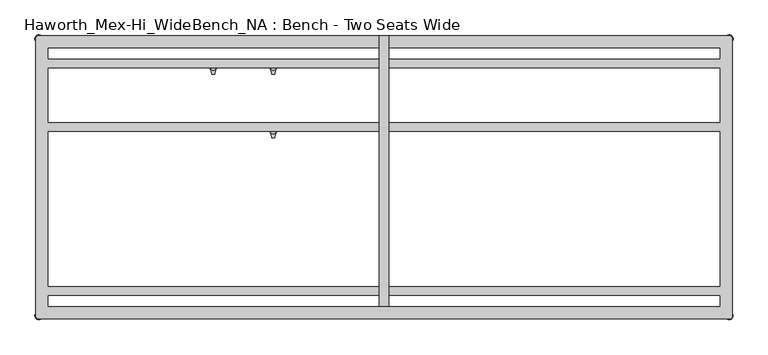
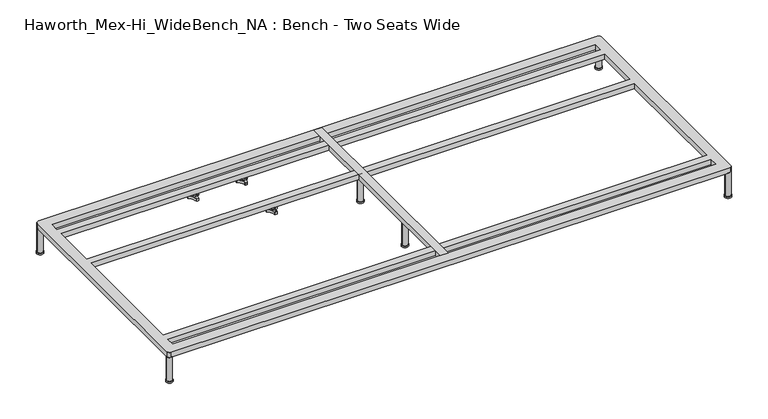
"""IFC4 building model written with IfcOpenShell, lengths in millimetres: furniture geometry, Haworth_Mex-Hi_WideBench_NA : Bench - Two Seats Wide."""

from ifc_helpers import new_model, si_unit, point, frame, frame_2d, origin, origin_with_axes, place, context, project, spatial, polyline, circle_curve, trimmed, segment, composite_curve, outline, extrude, source, transform, mapped, element, save
from ifc_brep_helpers import plane_surface, cylinder_surface, revolved_surface, advanced_brep


def haworth_mex_hi_widebench_na_bench_two_seats_wide_a20557b4(model_context):
    return source(origin(), model_context, "Body", "SolidModel", [
        advanced_brep(
        [(-519.7611937, -130.2721038, 98.611642), (-523.9837819, -137.585841, 98.611642), (-523.585833, -138.7518724, 98.611642), (-507.7665623, -166.1516574, 98.611642), (-506.9557288, -167.0792988, 98.611642), (-498.5105502, -167.0792988, 98.611642), (-497.706022, -165.9895174, 98.611642), (-481.6037689, -138.4877144, 98.611642), (-481.4824919, -137.5858427, 98.611642), (-485.7050818, -130.2721023, 98.611642), (-486.9138653, -130.0337175, 98.611642), (-518.5524137, -130.0337175, 98.611642), (-493.360263, -145.1926245, 98.611642), (-512.2652749, -145.1926245, 98.611642), (-519.7611937, -130.2721038, 88.6531552), (-518.5524137, -130.0337175, 88.6531552), (-486.9138653, -130.0337175, 88.6531552), (-485.7050818, -130.2721023, 88.6531552), (-481.4824919, -137.5858427, 88.6531552), (-481.6037689, -138.4877144, 88.6531552), (-497.706022, -165.9895174, 88.6531552), (-498.5105502, -167.0792988, 88.6531552), (-506.9557288, -167.0792988, 88.6531552), (-507.7665623, -166.1516574, 88.6531552), (-523.585833, -138.7518724, 88.6531552), (-523.9837819, -137.585841, 88.6531552), (-512.2652749, -145.1926245, 103.6569541), (-493.360263, -145.1926245, 103.6569541)],
        [
            (0, 1, circle_curve(frame((-501.5017056, -145.690049, 98.611642), z_axis=(0.0, 0.0, 1.0), x_axis=(1.0, 0.0, 0.0)), 23.8981576)),
            (1, 2, circle_curve(frame((-523.0562233, -137.920202, 98.611642), z_axis=(0.0, 0.0, 1.0), x_axis=(1.0, 0.0, 0.0)), 0.9859828)),
            (2, 3, circle_curve(frame((-541.981203, -167.6389644, 98.611642), z_axis=(0.0, 0.0, -1.0), x_axis=(1.0, 0.0, 0.0)), 34.246952)),
            (3, 4, circle_curve(frame((-506.7815189, -166.1088376, 98.611642), z_axis=(0.0, 0.0, 1.0), x_axis=(1.0, 0.0, 0.0)), 0.9859736)),
            (4, 5, circle_curve(frame((-502.7331395, -143.5567534, 98.611642), z_axis=(0.0, 0.0, 1.0), x_axis=(1.0, 0.0, 0.0)), 23.8985439)),
            (5, 6, circle_curve(frame((-498.6847621, -166.1088262, 98.611642), z_axis=(0.0, 0.0, 1.0), x_axis=(1.0, 0.0, 0.0)), 0.9859852)),
            (6, 7, circle_curve(frame((-463.4843483, -167.5614211, 98.611642), z_axis=(0.0, 0.0, -1.0), x_axis=(1.0, 0.0, 0.0)), 34.2577557)),
            (7, 8, circle_curve(frame((-482.4100533, -137.9202011, 98.611642), z_axis=(0.0, 0.0, 1.0), x_axis=(1.0, 0.0, 0.0)), 0.9859847)),
            (8, 9, circle_curve(frame((-503.9641822, -145.6898258, 98.611642), z_axis=(0.0, 0.0, 1.0), x_axis=(1.0, 0.0, 0.0)), 23.8977184)),
            (9, 10, circle_curve(frame((-486.4584281, -130.9082171, 98.611642), z_axis=(0.0, 0.0, 1.0), x_axis=(1.0, 0.0, 0.0)), 0.9859881)),
            (10, 11, circle_curve(frame((-502.7331395, -99.6586209, 98.611642), z_axis=(0.0, 0.0, -1.0), x_axis=(1.0, 0.0, 0.0)), 34.2475683)),
            (11, 0, circle_curve(frame((-519.0078488, -130.9082131, 98.611642), z_axis=(0.0, 0.0, 1.0), x_axis=(1.0, 0.0, 0.0)), 0.9859835)),
            (12, 13, circle_curve(frame((-502.8127689, -145.1926245, 98.611642), z_axis=(0.0, 0.0, -1.0), x_axis=(1.0, 0.0, 0.0)), 9.452506)),
            (13, 12, circle_curve(frame((-502.8127689, -145.1926245, 98.611642), z_axis=(0.0, 0.0, -1.0), x_axis=(1.0, 0.0, 0.0)), 9.452506)),
            (14, 15, circle_curve(frame((-519.0078488, -130.9082131, 88.6531552), z_axis=(0.0, 0.0, -1.0), x_axis=(1.0, 0.0, 0.0)), 0.9859835)),
            (15, 16, circle_curve(frame((-502.7331395, -99.6586209, 88.6531552), z_axis=(0.0, 0.0, 1.0), x_axis=(1.0, 0.0, 0.0)), 34.2475683)),
            (16, 17, circle_curve(frame((-486.4584281, -130.9082171, 88.6531552), z_axis=(0.0, 0.0, -1.0), x_axis=(1.0, 0.0, 0.0)), 0.9859881)),
            (17, 18, circle_curve(frame((-503.9641822, -145.6898258, 88.6531552), z_axis=(0.0, 0.0, -1.0), x_axis=(1.0, 0.0, 0.0)), 23.8977184)),
            (18, 19, circle_curve(frame((-482.4100533, -137.9202011, 88.6531552), z_axis=(0.0, 0.0, -1.0), x_axis=(1.0, 0.0, 0.0)), 0.9859847)),
            (19, 20, circle_curve(frame((-463.4843483, -167.5614211, 88.6531552), z_axis=(0.0, 0.0, 1.0), x_axis=(1.0, 0.0, 0.0)), 34.2577557)),
            (20, 21, circle_curve(frame((-498.6847621, -166.1088262, 88.6531552), z_axis=(0.0, 0.0, -1.0), x_axis=(1.0, 0.0, 0.0)), 0.9859852)),
            (21, 22, circle_curve(frame((-502.7331395, -143.5567534, 88.6531552), z_axis=(0.0, 0.0, -1.0), x_axis=(1.0, 0.0, 0.0)), 23.8985439)),
            (22, 23, circle_curve(frame((-506.7815189, -166.1088376, 88.6531552), z_axis=(0.0, 0.0, -1.0), x_axis=(1.0, 0.0, 0.0)), 0.9859736)),
            (23, 24, circle_curve(frame((-541.981203, -167.6389644, 88.6531552), z_axis=(0.0, 0.0, 1.0), x_axis=(1.0, 0.0, 0.0)), 34.246952)),
            (24, 25, circle_curve(frame((-523.0562233, -137.920202, 88.6531552), z_axis=(0.0, 0.0, -1.0), x_axis=(1.0, 0.0, 0.0)), 0.9859828)),
            (25, 14, circle_curve(frame((-501.5017056, -145.690049, 88.6531552), z_axis=(0.0, 0.0, -1.0), x_axis=(1.0, 0.0, 0.0)), 23.8981576)),
            (26, 27, circle_curve(frame((-502.8127689, -145.1926245, 103.6569541), z_axis=(0.0, 0.0, 1.0), x_axis=(1.0, 0.0, 0.0)), 9.452506)),
            (27, 26, circle_curve(frame((-502.8127689, -145.1926245, 103.6569541), z_axis=(0.0, 0.0, 1.0), x_axis=(1.0, 0.0, 0.0)), 9.452506)),
            (0, 14),
            (25, 1),
            (24, 2),
            (23, 3),
            (22, 4),
            (21, 5),
            (20, 6),
            (19, 7),
            (18, 8),
            (17, 9),
            (16, 10),
            (15, 11),
            (26, 13),
            (12, 27),
        ],
        [
            plane_surface(frame((-477.603548, -145.690049, 98.611642), z_axis=(0.0, 0.0, 1.0), x_axis=(0.0, 1.0, 0.0))),
            plane_surface(frame((-477.603548, -145.690049, 88.6531552), z_axis=(0.0, 0.0, -1.0), x_axis=(0.0, -1.0, 0.0))),
            plane_surface(frame((-493.360263, -145.1926245, 103.6569541), z_axis=(0.0, 0.0, 1.0), x_axis=(0.0, 1.0, 0.0))),
            cylinder_surface(frame((-501.5017056, -145.690049, 88.6531552), z_axis=(0.0, 0.0, 1.0), x_axis=(1.0, 0.0, 0.0)), 23.8981576),
            cylinder_surface(frame((-523.0562233, -137.920202, 88.6531552), z_axis=(0.0, 0.0, 1.0), x_axis=(1.0, 0.0, 0.0)), 0.9859828),
            revolved_surface(polyline([(-507.73425100000003, -167.6389644, 88.6531552), (-507.73425100000003, -167.6389644, 98.611642)]), (-541.981203, -167.6389644, 88.6531552), (0.0, 0.0, -1.0)),
            cylinder_surface(frame((-506.7815189, -166.1088376, 88.6531552), z_axis=(0.0, 0.0, 1.0), x_axis=(1.0, 0.0, 0.0)), 0.9859736),
            cylinder_surface(frame((-502.7331395, -143.5567534, 88.6531552), z_axis=(0.0, 0.0, 1.0), x_axis=(1.0, 0.0, 0.0)), 23.8985439),
            cylinder_surface(frame((-498.6847621, -166.1088262, 88.6531552), z_axis=(0.0, 0.0, 1.0), x_axis=(1.0, 0.0, 0.0)), 0.9859852),
            revolved_surface(polyline([(-429.2265926, -167.5614211, 88.6531552), (-429.2265926, -167.5614211, 98.611642)]), (-463.4843483, -167.5614211, 88.6531552), (0.0, 0.0, -1.0)),
            cylinder_surface(frame((-482.4100533, -137.9202011, 88.6531552), z_axis=(0.0, 0.0, 1.0), x_axis=(1.0, 0.0, 0.0)), 0.9859847),
            cylinder_surface(frame((-503.9641822, -145.6898258, 88.6531552), z_axis=(0.0, 0.0, 1.0), x_axis=(1.0, 0.0, 0.0)), 23.8977184),
            cylinder_surface(frame((-486.4584281, -130.9082171, 88.6531552), z_axis=(0.0, 0.0, 1.0), x_axis=(1.0, 0.0, 0.0)), 0.9859881),
            revolved_surface(polyline([(-468.4855712, -99.6586209, 88.6531552), (-468.4855712, -99.6586209, 98.611642)]), (-502.7331395, -99.6586209, 88.6531552), (0.0, 0.0, -1.0)),
            cylinder_surface(frame((-519.0078488, -130.9082131, 88.6531552), z_axis=(0.0, 0.0, 1.0), x_axis=(1.0, 0.0, 0.0)), 0.9859835),
            cylinder_surface(frame((-502.8127689, -145.1926245, 98.611642), z_axis=(0.0, 0.0, 1.0), x_axis=(1.0, 0.0, 0.0)), 9.452506),
        ],
        [
            (0, [[1, 2, 3, 4, 5, 6, 7, 8, 9, 10, 11, 12], [13, 14]]),
            (1, [[15, 16, 17, 18, 19, 20, 21, 22, 23, 24, 25, 26]]),
            (2, [[27, 28]]),
            (3, [[-1, 29, -26, 30]]),
            (4, [[-2, -30, -25, 31]]),
            (5, [[-3, -31, -24, 32]]),
            (6, [[-4, -32, -23, 33]]),
            (7, [[-5, -33, -22, 34]]),
            (8, [[-6, -34, -21, 35]]),
            (9, [[-7, -35, -20, 36]]),
            (10, [[-8, -36, -19, 37]]),
            (11, [[-9, -37, -18, 38]]),
            (12, [[-10, -38, -17, 39]]),
            (13, [[-11, -39, -16, 40]]),
            (14, [[-12, -40, -15, -29]]),
            (15, [[-27, 41, -13, 42]]),
            (15, [[-28, -42, -14, -41]]),
        ],
    ),
        advanced_brep(
        [(-519.7611937, 69.7278978, 98.611642), (-523.9837819, 62.4141605, 98.611642), (-523.585833, 61.2481292, 98.611642), (-507.7665623, 33.8483441, 98.611642), (-506.9557288, 32.9207027, 98.611642), (-498.5105502, 32.9207027, 98.611642), (-497.706022, 34.0104841, 98.611642), (-481.6037689, 61.5122871, 98.611642), (-481.4824919, 62.4141588, 98.611642), (-485.7050818, 69.7278992, 98.611642), (-486.9138653, 69.966284, 98.611642), (-518.5524137, 69.966284, 98.611642), (-493.360263, 54.807377, 98.611642), (-512.2652749, 54.807377, 98.611642), (-519.7611937, 69.7278978, 88.6531552), (-518.5524137, 69.966284, 88.6531552), (-486.9138653, 69.966284, 88.6531552), (-485.7050818, 69.7278992, 88.6531552), (-481.4824919, 62.4141588, 88.6531552), (-481.6037689, 61.5122871, 88.6531552), (-497.706022, 34.0104841, 88.6531552), (-498.5105502, 32.9207027, 88.6531552), (-506.9557288, 32.9207027, 88.6531552), (-507.7665623, 33.8483441, 88.6531552), (-523.585833, 61.2481292, 88.6531552), (-523.9837819, 62.4141605, 88.6531552), (-512.2652749, 54.807377, 103.6569541), (-493.360263, 54.807377, 103.6569541)],
        [
            (0, 1, circle_curve(frame((-501.5017056, 54.3099526, 98.611642), z_axis=(0.0, 0.0, 1.0), x_axis=(1.0, 0.0, 0.0)), 23.8981576)),
            (1, 2, circle_curve(frame((-523.0562233, 62.0797996, 98.611642), z_axis=(0.0, 0.0, 1.0), x_axis=(1.0, 0.0, 0.0)), 0.9859828)),
            (2, 3, circle_curve(frame((-541.981203, 32.3610372, 98.611642), z_axis=(0.0, 0.0, -1.0), x_axis=(1.0, 0.0, 0.0)), 34.246952)),
            (3, 4, circle_curve(frame((-506.7815189, 33.8911639, 98.611642), z_axis=(0.0, 0.0, 1.0), x_axis=(1.0, 0.0, 0.0)), 0.9859736)),
            (4, 5, circle_curve(frame((-502.7331395, 56.4432481, 98.611642), z_axis=(0.0, 0.0, 1.0), x_axis=(1.0, 0.0, 0.0)), 23.8985439)),
            (5, 6, circle_curve(frame((-498.6847621, 33.8911753, 98.611642), z_axis=(0.0, 0.0, 1.0), x_axis=(1.0, 0.0, 0.0)), 0.9859852)),
            (6, 7, circle_curve(frame((-463.4843483, 32.4385804, 98.611642), z_axis=(0.0, 0.0, -1.0), x_axis=(1.0, 0.0, 0.0)), 34.2577557)),
            (7, 8, circle_curve(frame((-482.4100533, 62.0798004, 98.611642), z_axis=(0.0, 0.0, 1.0), x_axis=(1.0, 0.0, 0.0)), 0.9859847)),
            (8, 9, circle_curve(frame((-503.9641822, 54.3101757, 98.611642), z_axis=(0.0, 0.0, 1.0), x_axis=(1.0, 0.0, 0.0)), 23.8977184)),
            (9, 10, circle_curve(frame((-486.4584281, 69.0917844, 98.611642), z_axis=(0.0, 0.0, 1.0), x_axis=(1.0, 0.0, 0.0)), 0.9859881)),
            (10, 11, circle_curve(frame((-502.7331395, 100.3413806, 98.611642), z_axis=(0.0, 0.0, -1.0), x_axis=(1.0, 0.0, 0.0)), 34.2475683)),
            (11, 0, circle_curve(frame((-519.0078488, 69.0917885, 98.611642), z_axis=(0.0, 0.0, 1.0), x_axis=(1.0, 0.0, 0.0)), 0.9859835)),
            (12, 13, circle_curve(frame((-502.8127689, 54.807377, 98.611642), z_axis=(0.0, 0.0, -1.0), x_axis=(1.0, 0.0, 0.0)), 9.452506)),
            (13, 12, circle_curve(frame((-502.8127689, 54.807377, 98.611642), z_axis=(0.0, 0.0, -1.0), x_axis=(1.0, 0.0, 0.0)), 9.452506)),
            (14, 15, circle_curve(frame((-519.0078488, 69.0917885, 88.6531552), z_axis=(0.0, 0.0, -1.0), x_axis=(1.0, 0.0, 0.0)), 0.9859835)),
            (15, 16, circle_curve(frame((-502.7331395, 100.3413806, 88.6531552), z_axis=(0.0, 0.0, 1.0), x_axis=(1.0, 0.0, 0.0)), 34.2475683)),
            (16, 17, circle_curve(frame((-486.4584281, 69.0917844, 88.6531552), z_axis=(0.0, 0.0, -1.0), x_axis=(1.0, 0.0, 0.0)), 0.9859881)),
            (17, 18, circle_curve(frame((-503.9641822, 54.3101757, 88.6531552), z_axis=(0.0, 0.0, -1.0), x_axis=(1.0, 0.0, 0.0)), 23.8977184)),
            (18, 19, circle_curve(frame((-482.4100533, 62.0798004, 88.6531552), z_axis=(0.0, 0.0, -1.0), x_axis=(1.0, 0.0, 0.0)), 0.9859847)),
            (19, 20, circle_curve(frame((-463.4843483, 32.4385804, 88.6531552), z_axis=(0.0, 0.0, 1.0), x_axis=(1.0, 0.0, 0.0)), 34.2577557)),
            (20, 21, circle_curve(frame((-498.6847621, 33.8911753, 88.6531552), z_axis=(0.0, 0.0, -1.0), x_axis=(1.0, 0.0, 0.0)), 0.9859852)),
            (21, 22, circle_curve(frame((-502.7331395, 56.4432481, 88.6531552), z_axis=(0.0, 0.0, -1.0), x_axis=(1.0, 0.0, 0.0)), 23.8985439)),
            (22, 23, circle_curve(frame((-506.7815189, 33.8911639, 88.6531552), z_axis=(0.0, 0.0, -1.0), x_axis=(1.0, 0.0, 0.0)), 0.9859736)),
            (23, 24, circle_curve(frame((-541.981203, 32.3610372, 88.6531552), z_axis=(0.0, 0.0, 1.0), x_axis=(1.0, 0.0, 0.0)), 34.246952)),
            (24, 25, circle_curve(frame((-523.0562233, 62.0797996, 88.6531552), z_axis=(0.0, 0.0, -1.0), x_axis=(1.0, 0.0, 0.0)), 0.9859828)),
            (25, 14, circle_curve(frame((-501.5017056, 54.3099526, 88.6531552), z_axis=(0.0, 0.0, -1.0), x_axis=(1.0, 0.0, 0.0)), 23.8981576)),
            (26, 27, circle_curve(frame((-502.8127689, 54.807377, 103.6569541), z_axis=(0.0, 0.0, 1.0), x_axis=(1.0, 0.0, 0.0)), 9.452506)),
            (27, 26, circle_curve(frame((-502.8127689, 54.807377, 103.6569541), z_axis=(0.0, 0.0, 1.0), x_axis=(1.0, 0.0, 0.0)), 9.452506)),
            (0, 14),
            (25, 1),
            (24, 2),
            (23, 3),
            (22, 4),
            (21, 5),
            (20, 6),
            (19, 7),
            (18, 8),
            (17, 9),
            (16, 10),
            (15, 11),
            (26, 13),
            (12, 27),
        ],
        [
            plane_surface(frame((-477.603548, 54.3099526, 98.611642), z_axis=(0.0, 0.0, 1.0), x_axis=(0.0, 1.0, 0.0))),
            plane_surface(frame((-477.603548, 54.3099526, 88.6531552), z_axis=(0.0, 0.0, -1.0), x_axis=(0.0, -1.0, 0.0))),
            plane_surface(frame((-493.360263, 54.807377, 103.6569541), z_axis=(0.0, 0.0, 1.0), x_axis=(0.0, 1.0, 0.0))),
            cylinder_surface(frame((-501.5017056, 54.3099526, 88.6531552), z_axis=(0.0, 0.0, 1.0), x_axis=(1.0, 0.0, 0.0)), 23.8981576),
            cylinder_surface(frame((-523.0562233, 62.0797996, 88.6531552), z_axis=(0.0, 0.0, 1.0), x_axis=(1.0, 0.0, 0.0)), 0.9859828),
            revolved_surface(polyline([(-507.73425100000003, 32.3610372, 88.6531552), (-507.73425100000003, 32.3610372, 98.611642)]), (-541.981203, 32.3610372, 88.6531552), (0.0, 0.0, -1.0)),
            cylinder_surface(frame((-506.7815189, 33.8911639, 88.6531552), z_axis=(0.0, 0.0, 1.0), x_axis=(1.0, 0.0, 0.0)), 0.9859736),
            cylinder_surface(frame((-502.7331395, 56.4432481, 88.6531552), z_axis=(0.0, 0.0, 1.0), x_axis=(1.0, 0.0, 0.0)), 23.8985439),
            cylinder_surface(frame((-498.6847621, 33.8911753, 88.6531552), z_axis=(0.0, 0.0, 1.0), x_axis=(1.0, 0.0, 0.0)), 0.9859852),
            revolved_surface(polyline([(-429.2265926, 32.4385804, 88.6531552), (-429.2265926, 32.4385804, 98.611642)]), (-463.4843483, 32.4385804, 88.6531552), (0.0, 0.0, -1.0)),
            cylinder_surface(frame((-482.4100533, 62.0798004, 88.6531552), z_axis=(0.0, 0.0, 1.0), x_axis=(1.0, 0.0, 0.0)), 0.9859847),
            cylinder_surface(frame((-503.9641822, 54.3101757, 88.6531552), z_axis=(0.0, 0.0, 1.0), x_axis=(1.0, 0.0, 0.0)), 23.8977184),
            cylinder_surface(frame((-486.4584281, 69.0917844, 88.6531552), z_axis=(0.0, 0.0, 1.0), x_axis=(1.0, 0.0, 0.0)), 0.9859881),
            revolved_surface(polyline([(-468.4855712, 100.3413806, 88.6531552), (-468.4855712, 100.3413806, 98.611642)]), (-502.7331395, 100.3413806, 88.6531552), (0.0, 0.0, -1.0)),
            cylinder_surface(frame((-519.0078488, 69.0917885, 88.6531552), z_axis=(0.0, 0.0, 1.0), x_axis=(1.0, 0.0, 0.0)), 0.9859835),
            cylinder_surface(frame((-502.8127689, 54.807377, 98.611642), z_axis=(0.0, 0.0, 1.0), x_axis=(1.0, 0.0, 0.0)), 9.452506),
        ],
        [
            (0, [[1, 2, 3, 4, 5, 6, 7, 8, 9, 10, 11, 12], [13, 14]]),
            (1, [[15, 16, 17, 18, 19, 20, 21, 22, 23, 24, 25, 26]]),
            (2, [[27, 28]]),
            (3, [[-1, 29, -26, 30]]),
            (4, [[-2, -30, -25, 31]]),
            (5, [[-3, -31, -24, 32]]),
            (6, [[-4, -32, -23, 33]]),
            (7, [[-5, -33, -22, 34]]),
            (8, [[-6, -34, -21, 35]]),
            (9, [[-7, -35, -20, 36]]),
            (10, [[-8, -36, -19, 37]]),
            (11, [[-9, -37, -18, 38]]),
            (12, [[-10, -38, -17, 39]]),
            (13, [[-11, -39, -16, 40]]),
            (14, [[-12, -40, -15, -29]]),
            (15, [[-27, 41, -13, 42]]),
            (15, [[-28, -42, -14, -41]]),
        ],
    ),
        advanced_brep(
        [(-708.6567178, 69.7278978, 98.611642), (-712.879306, 62.4141605, 98.611642), (-712.4813572, 61.2481292, 98.611642), (-696.6620864, 33.8483441, 98.611642), (-695.8512529, 32.9207027, 98.611642), (-687.4060744, 32.9207027, 98.611642), (-686.6015461, 34.0104841, 98.611642), (-670.4992931, 61.5122871, 98.611642), (-670.378016, 62.4141588, 98.611642), (-674.600606, 69.7278992, 98.611642), (-675.8093894, 69.966284, 98.611642), (-707.4479379, 69.966284, 98.611642), (-682.2557871, 54.807377, 98.611642), (-701.160799, 54.807377, 98.611642), (-708.6567178, 69.7278978, 88.6531552), (-707.4479379, 69.966284, 88.6531552), (-675.8093894, 69.966284, 88.6531552), (-674.600606, 69.7278992, 88.6531552), (-670.378016, 62.4141588, 88.6531552), (-670.4992931, 61.5122871, 88.6531552), (-686.6015461, 34.0104841, 88.6531552), (-687.4060744, 32.9207027, 88.6531552), (-695.8512529, 32.9207027, 88.6531552), (-696.6620864, 33.8483441, 88.6531552), (-712.4813572, 61.2481292, 88.6531552), (-712.879306, 62.4141605, 88.6531552), (-701.160799, 54.807377, 103.6569541), (-682.2557871, 54.807377, 103.6569541)],
        [
            (0, 1, circle_curve(frame((-690.3972298, 54.3099526, 98.611642), z_axis=(0.0, 0.0, 1.0), x_axis=(1.0, 0.0, 0.0)), 23.8981576)),
            (1, 2, circle_curve(frame((-711.9517474, 62.0797996, 98.611642), z_axis=(0.0, 0.0, 1.0), x_axis=(1.0, 0.0, 0.0)), 0.9859828)),
            (2, 3, circle_curve(frame((-730.8767271, 32.3610372, 98.611642), z_axis=(0.0, 0.0, -1.0), x_axis=(1.0, 0.0, 0.0)), 34.246952)),
            (3, 4, circle_curve(frame((-695.6770431, 33.8911639, 98.611642), z_axis=(0.0, 0.0, 1.0), x_axis=(1.0, 0.0, 0.0)), 0.9859736)),
            (4, 5, circle_curve(frame((-691.6286636, 56.4432481, 98.611642), z_axis=(0.0, 0.0, 1.0), x_axis=(1.0, 0.0, 0.0)), 23.8985439)),
            (5, 6, circle_curve(frame((-687.5802862, 33.8911753, 98.611642), z_axis=(0.0, 0.0, 1.0), x_axis=(1.0, 0.0, 0.0)), 0.9859852)),
            (6, 7, circle_curve(frame((-652.3798725, 32.4385804, 98.611642), z_axis=(0.0, 0.0, -1.0), x_axis=(1.0, 0.0, 0.0)), 34.2577557)),
            (7, 8, circle_curve(frame((-671.3055775, 62.0798004, 98.611642), z_axis=(0.0, 0.0, 1.0), x_axis=(1.0, 0.0, 0.0)), 0.9859847)),
            (8, 9, circle_curve(frame((-692.8597064, 54.3101757, 98.611642), z_axis=(0.0, 0.0, 1.0), x_axis=(1.0, 0.0, 0.0)), 23.8977184)),
            (9, 10, circle_curve(frame((-675.3539522, 69.0917844, 98.611642), z_axis=(0.0, 0.0, 1.0), x_axis=(1.0, 0.0, 0.0)), 0.9859881)),
            (10, 11, circle_curve(frame((-691.6286636, 100.3413806, 98.611642), z_axis=(0.0, 0.0, -1.0), x_axis=(1.0, 0.0, 0.0)), 34.2475683)),
            (11, 0, circle_curve(frame((-707.9033729, 69.0917885, 98.611642), z_axis=(0.0, 0.0, 1.0), x_axis=(1.0, 0.0, 0.0)), 0.9859835)),
            (12, 13, circle_curve(frame((-691.7082931, 54.807377, 98.611642), z_axis=(0.0, 0.0, -1.0), x_axis=(1.0, 0.0, 0.0)), 9.452506)),
            (13, 12, circle_curve(frame((-691.7082931, 54.807377, 98.611642), z_axis=(0.0, 0.0, -1.0), x_axis=(1.0, 0.0, 0.0)), 9.452506)),
            (14, 15, circle_curve(frame((-707.9033729, 69.0917885, 88.6531552), z_axis=(0.0, 0.0, -1.0), x_axis=(1.0, 0.0, 0.0)), 0.9859835)),
            (15, 16, circle_curve(frame((-691.6286636, 100.3413806, 88.6531552), z_axis=(0.0, 0.0, 1.0), x_axis=(1.0, 0.0, 0.0)), 34.2475683)),
            (16, 17, circle_curve(frame((-675.3539522, 69.0917844, 88.6531552), z_axis=(0.0, 0.0, -1.0), x_axis=(1.0, 0.0, 0.0)), 0.9859881)),
            (17, 18, circle_curve(frame((-692.8597064, 54.3101757, 88.6531552), z_axis=(0.0, 0.0, -1.0), x_axis=(1.0, 0.0, 0.0)), 23.8977184)),
            (18, 19, circle_curve(frame((-671.3055775, 62.0798004, 88.6531552), z_axis=(0.0, 0.0, -1.0), x_axis=(1.0, 0.0, 0.0)), 0.9859847)),
            (19, 20, circle_curve(frame((-652.3798725, 32.4385804, 88.6531552), z_axis=(0.0, 0.0, 1.0), x_axis=(1.0, 0.0, 0.0)), 34.2577557)),
            (20, 21, circle_curve(frame((-687.5802862, 33.8911753, 88.6531552), z_axis=(0.0, 0.0, -1.0), x_axis=(1.0, 0.0, 0.0)), 0.9859852)),
            (21, 22, circle_curve(frame((-691.6286636, 56.4432481, 88.6531552), z_axis=(0.0, 0.0, -1.0), x_axis=(1.0, 0.0, 0.0)), 23.8985439)),
            (22, 23, circle_curve(frame((-695.6770431, 33.8911639, 88.6531552), z_axis=(0.0, 0.0, -1.0), x_axis=(1.0, 0.0, 0.0)), 0.9859736)),
            (23, 24, circle_curve(frame((-730.8767271, 32.3610372, 88.6531552), z_axis=(0.0, 0.0, 1.0), x_axis=(1.0, 0.0, 0.0)), 34.246952)),
            (24, 25, circle_curve(frame((-711.9517474, 62.0797996, 88.6531552), z_axis=(0.0, 0.0, -1.0), x_axis=(1.0, 0.0, 0.0)), 0.9859828)),
            (25, 14, circle_curve(frame((-690.3972298, 54.3099526, 88.6531552), z_axis=(0.0, 0.0, -1.0), x_axis=(1.0, 0.0, 0.0)), 23.8981576)),
            (26, 27, circle_curve(frame((-691.7082931, 54.807377, 103.6569541), z_axis=(0.0, 0.0, 1.0), x_axis=(1.0, 0.0, 0.0)), 9.452506)),
            (27, 26, circle_curve(frame((-691.7082931, 54.807377, 103.6569541), z_axis=(0.0, 0.0, 1.0), x_axis=(1.0, 0.0, 0.0)), 9.452506)),
            (0, 14),
            (25, 1),
            (24, 2),
            (23, 3),
            (22, 4),
            (21, 5),
            (20, 6),
            (19, 7),
            (18, 8),
            (17, 9),
            (16, 10),
            (15, 11),
            (26, 13),
            (12, 27),
        ],
        [
            plane_surface(frame((-666.4990722, 54.3099526, 98.611642), z_axis=(0.0, 0.0, 1.0), x_axis=(0.0, 1.0, 0.0))),
            plane_surface(frame((-666.4990722, 54.3099526, 88.6531552), z_axis=(0.0, 0.0, -1.0), x_axis=(0.0, -1.0, 0.0))),
            plane_surface(frame((-682.2557871, 54.807377, 103.6569541), z_axis=(0.0, 0.0, 1.0), x_axis=(0.0, 1.0, 0.0))),
            cylinder_surface(frame((-690.3972298, 54.3099526, 88.6531552), z_axis=(0.0, 0.0, 1.0), x_axis=(1.0, 0.0, 0.0)), 23.8981576),
            cylinder_surface(frame((-711.9517474, 62.0797996, 88.6531552), z_axis=(0.0, 0.0, 1.0), x_axis=(1.0, 0.0, 0.0)), 0.9859828),
            revolved_surface(polyline([(-696.6297751000001, 32.3610372, 88.6531552), (-696.6297751000001, 32.3610372, 98.611642)]), (-730.8767271, 32.3610372, 88.6531552), (0.0, 0.0, -1.0)),
            cylinder_surface(frame((-695.6770431, 33.8911639, 88.6531552), z_axis=(0.0, 0.0, 1.0), x_axis=(1.0, 0.0, 0.0)), 0.9859736),
            cylinder_surface(frame((-691.6286636, 56.4432481, 88.6531552), z_axis=(0.0, 0.0, 1.0), x_axis=(1.0, 0.0, 0.0)), 23.8985439),
            cylinder_surface(frame((-687.5802862, 33.8911753, 88.6531552), z_axis=(0.0, 0.0, 1.0), x_axis=(1.0, 0.0, 0.0)), 0.9859852),
            revolved_surface(polyline([(-618.1221168000001, 32.4385804, 88.6531552), (-618.1221168000001, 32.4385804, 98.611642)]), (-652.3798725, 32.4385804, 88.6531552), (0.0, 0.0, -1.0)),
            cylinder_surface(frame((-671.3055775, 62.0798004, 88.6531552), z_axis=(0.0, 0.0, 1.0), x_axis=(1.0, 0.0, 0.0)), 0.9859847),
            cylinder_surface(frame((-692.8597064, 54.3101757, 88.6531552), z_axis=(0.0, 0.0, 1.0), x_axis=(1.0, 0.0, 0.0)), 23.8977184),
            cylinder_surface(frame((-675.3539522, 69.0917844, 88.6531552), z_axis=(0.0, 0.0, 1.0), x_axis=(1.0, 0.0, 0.0)), 0.9859881),
            revolved_surface(polyline([(-657.3810953, 100.3413806, 88.6531552), (-657.3810953, 100.3413806, 98.611642)]), (-691.6286636, 100.3413806, 88.6531552), (0.0, 0.0, -1.0)),
            cylinder_surface(frame((-707.9033729, 69.0917885, 88.6531552), z_axis=(0.0, 0.0, 1.0), x_axis=(1.0, 0.0, 0.0)), 0.9859835),
            cylinder_surface(frame((-691.7082931, 54.807377, 98.611642), z_axis=(0.0, 0.0, 1.0), x_axis=(1.0, 0.0, 0.0)), 9.452506),
        ],
        [
            (0, [[1, 2, 3, 4, 5, 6, 7, 8, 9, 10, 11, 12], [13, 14]]),
            (1, [[15, 16, 17, 18, 19, 20, 21, 22, 23, 24, 25, 26]]),
            (2, [[27, 28]]),
            (3, [[-1, 29, -26, 30]]),
            (4, [[-2, -30, -25, 31]]),
            (5, [[-3, -31, -24, 32]]),
            (6, [[-4, -32, -23, 33]]),
            (7, [[-5, -33, -22, 34]]),
            (8, [[-6, -34, -21, 35]]),
            (9, [[-7, -35, -20, 36]]),
            (10, [[-8, -36, -19, 37]]),
            (11, [[-9, -37, -18, 38]]),
            (12, [[-10, -38, -17, 39]]),
            (13, [[-11, -39, -16, 40]]),
            (14, [[-12, -40, -15, -29]]),
            (15, [[-27, 41, -13, 42]]),
            (15, [[-28, -42, -14, -41]]),
        ],
    ),
        extrude(outline(composite_curve([segment(trimmed(circle_curve(frame_2d((-155.4452882, -433.7002937)), 10.4664203), [point((-165.9117085, -433.7002937))], [point((-144.9788678, -433.7002937))], False, "CARTESIAN"), True, "CONTINUOUS"), segment(trimmed(circle_curve(frame_2d((-155.4452882, -433.7002937)), 10.4664203), [point((-144.9788678, -433.7002937))], [point((-165.9117085, -433.7002937))], False, "CARTESIAN"), True, "CONTINUOUS")], self_intersect=False)), origin_with_axes(), (0.0, 0.0, 1.0), 103.6569541),
        extrude(outline(composite_curve([segment(trimmed(circle_curve(frame_2d((-155.4452882, -133.6667163)), 10.4664203), [point((-165.9117085, -133.6667163))], [point((-144.9788678, -133.6667163))], False, "CARTESIAN"), True, "CONTINUOUS"), segment(trimmed(circle_curve(frame_2d((-155.4452882, -133.6667163)), 10.4664203), [point((-144.9788678, -133.6667163))], [point((-165.9117085, -133.6667163))], False, "CARTESIAN"), True, "CONTINUOUS")], self_intersect=False)), origin_with_axes(), (0.0, 0.0, 1.0), 103.6569541),
        extrude(outline(composite_curve([segment(trimmed(circle_curve(frame_2d((-155.4452882, -433.7002937)), 12.5000005), [point((-167.9452886, -433.7002937))], [point((-142.9452877, -433.7002937))], False, "CARTESIAN"), True, "CONTINUOUS"), segment(trimmed(circle_curve(frame_2d((-155.4452882, -433.7002937)), 12.5000005), [point((-142.9452877, -433.7002937))], [point((-167.9452886, -433.7002937))], False, "CARTESIAN"), True, "CONTINUOUS")], self_intersect=False)), origin_with_axes(), (0.0, 0.0, 1.0), 6.0),
        extrude(outline(composite_curve([segment(trimmed(circle_curve(frame_2d((-155.4452882, -133.6667163)), 12.5000005), [point((-167.9452886, -133.6667163))], [point((-142.9452877, -133.6667163))], False, "CARTESIAN"), True, "CONTINUOUS"), segment(trimmed(circle_curve(frame_2d((-155.4452882, -133.6667163)), 12.5000005), [point((-142.9452877, -133.6667163))], [point((-167.9452886, -133.6667163))], False, "CARTESIAN"), True, "CONTINUOUS")], self_intersect=False)), origin_with_axes(), (0.0, 0.0, 1.0), 6.0),
        extrude(outline(polyline([(-169.7406049, -696.2002953), (-169.7406049, 153.6358637), (-139.7406192, 153.6358637), (-139.7406192, -696.2002953), (-169.7406049, -696.2002953)])), frame((0.0, 0.0, 103.6569541), z_axis=(0.0, 0.0, 1.0), x_axis=(1.0, 0.0, 0.0)), (0.0, 0.0, 1.0), 20.3430443),
        extrude(outline(composite_curve([segment(trimmed(circle_curve(frame_2d((-1239.490311, 143.787786)), 12.5000005), [point((-1251.9903115, 143.787786))], [point((-1226.9903105, 143.787786))], False, "CARTESIAN"), True, "CONTINUOUS"), segment(trimmed(circle_curve(frame_2d((-1239.490311, 143.787786)), 12.5000005), [point((-1226.9903105, 143.787786))], [point((-1251.9903115, 143.787786))], False, "CARTESIAN"), True, "CONTINUOUS")], self_intersect=False)), origin_with_axes(), (0.0, 0.0, 1.0), 6.0),
        extrude(outline(composite_curve([segment(trimmed(circle_curve(frame_2d((-1239.490311, -726.2491859)), 12.5000005), [point((-1251.9903115, -726.2491859))], [point((-1226.9903105, -726.2491859))], False, "CARTESIAN"), True, "CONTINUOUS"), segment(trimmed(circle_curve(frame_2d((-1239.490311, -726.2491859)), 12.5000005), [point((-1226.9903105, -726.2491859))], [point((-1251.9903115, -726.2491859))], False, "CARTESIAN"), True, "CONTINUOUS")], self_intersect=False)), origin_with_axes(), (0.0, 0.0, 1.0), 6.0),
        extrude(outline(composite_curve([segment(trimmed(circle_curve(frame_2d((930.1872347, 143.787786)), 12.5000005), [point((917.6872342, 143.787786))], [point((942.6872352, 143.787786))], False, "CARTESIAN"), True, "CONTINUOUS"), segment(trimmed(circle_curve(frame_2d((930.1872347, 143.787786)), 12.5000005), [point((942.6872352, 143.787786))], [point((917.6872342, 143.787786))], False, "CARTESIAN"), True, "CONTINUOUS")], self_intersect=False)), origin_with_axes(), (0.0, 0.0, 1.0), 6.0),
        extrude(outline(composite_curve([segment(trimmed(circle_curve(frame_2d((930.0926028, -726.2033172)), 12.5000005), [point((917.5926024, -726.2033172))], [point((942.5926033, -726.2033172))], False, "CARTESIAN"), True, "CONTINUOUS"), segment(trimmed(circle_curve(frame_2d((930.0926028, -726.2033172)), 12.5000005), [point((942.5926033, -726.2033172))], [point((917.5926024, -726.2033172))], False, "CARTESIAN"), True, "CONTINUOUS")], self_intersect=False)), origin_with_axes(), (0.0, 0.0, 1.0), 6.0),
        extrude(outline(composite_curve([segment(trimmed(circle_curve(frame_2d((-1239.490311, 143.787786)), 10.4664203), [point((-1249.9567314, 143.787786))], [point((-1229.0238907, 143.787786))], False, "CARTESIAN"), True, "CONTINUOUS"), segment(trimmed(circle_curve(frame_2d((-1239.490311, 143.787786)), 10.4664203), [point((-1229.0238907, 143.787786))], [point((-1249.9567314, 143.787786))], False, "CARTESIAN"), True, "CONTINUOUS")], self_intersect=False)), origin_with_axes(), (0.0, 0.0, 1.0), 103.6569541),
        extrude(outline(composite_curve([segment(trimmed(circle_curve(frame_2d((930.1617227, -726.1628448)), 10.4664203), [point((919.6953024, -726.1628448))], [point((940.6281431, -726.1628448))], False, "CARTESIAN"), True, "CONTINUOUS"), segment(trimmed(circle_curve(frame_2d((930.1617227, -726.1628448)), 10.4664203), [point((940.6281431, -726.1628448))], [point((919.6953024, -726.1628448))], False, "CARTESIAN"), True, "CONTINUOUS")], self_intersect=False)), origin_with_axes(), (0.0, 0.0, 1.0), 103.6569541),
        extrude(outline(composite_curve([segment(trimmed(circle_curve(frame_2d((930.2402147, 143.7799368)), 10.4664203), [point((919.7737944, 143.7799368))], [point((940.706635, 143.7799368))], False, "CARTESIAN"), True, "CONTINUOUS"), segment(trimmed(circle_curve(frame_2d((930.2402147, 143.7799368)), 10.4664203), [point((940.706635, 143.7799368))], [point((919.7737944, 143.7799368))], False, "CARTESIAN"), True, "CONTINUOUS")], self_intersect=False)), origin_with_axes(), (0.0, 0.0, 1.0), 103.6569541),
        extrude(outline(composite_curve([segment(trimmed(circle_curve(frame_2d((-1239.4189857, -726.0945909)), 10.4664203), [point((-1249.8854061, -726.0945909))], [point((-1228.9525654, -726.0945909))], False, "CARTESIAN"), True, "CONTINUOUS"), segment(trimmed(circle_curve(frame_2d((-1239.4189857, -726.0945909)), 10.4664203), [point((-1228.9525654, -726.0945909))], [point((-1249.8854061, -726.0945909))], False, "CARTESIAN"), True, "CONTINUOUS")], self_intersect=False)), origin_with_axes(), (0.0, 0.0, 1.0), 103.6569541),
        extrude(outline(composite_curve([segment(polyline([(-1239.9363796, 153.6358637), (930.4551554, 153.6358637)]), True, "CONTINUOUS"), segment(trimmed(circle_curve(frame_2d((930.4551554, 144.0819322)), 9.5539314), [point((930.4551554, 153.6358637))], [point((940.0090868, 144.0819322))], False, "CARTESIAN"), True, "CONTINUOUS"), segment(polyline([(940.0090868, 144.0819322), (940.0090868, -728.9954927)]), True, "CONTINUOUS"), segment(trimmed(circle_curve(frame_2d((932.8161728, -728.9954927)), 7.192914), [point((940.0090868, -728.9954927))], [point((932.8161728, -736.1884068))], False, "CARTESIAN"), True, "CONTINUOUS"), segment(polyline([(932.8161728, -736.1884068), (-1239.6875349, -736.1884068)]), True, "CONTINUOUS"), segment(trimmed(circle_curve(frame_2d((-1239.6875349, -726.3856306)), 9.8027761), [point((-1239.6875349, -736.1884068))], [point((-1249.490311, -726.3856306))], False, "CARTESIAN"), True, "CONTINUOUS"), segment(polyline([(-1249.490311, -726.3856306), (-1249.490311, 144.0819322)]), True, "CONTINUOUS"), segment(trimmed(circle_curve(frame_2d((-1239.9363796, 144.0819322)), 9.5539314), [point((-1249.490311, 144.0819322))], [point((-1239.9363796, 153.6358637))], False, "CARTESIAN"), True, "CONTINUOUS")], self_intersect=False), holes=[polyline([(-1209.5022296, -663.7579623), (-1209.5022296, -696.2002953), (900.1108076, -696.2002953), (900.1108076, -663.7579623), (-1209.5022296, -663.7579623)]), polyline([(-1209.5022296, 113.7997046), (-1209.5022296, 81.2997034), (900.1108076, 81.2997034), (900.1108076, 113.7997046), (-1209.5022296, 113.7997046)]), polyline([(-1209.5022296, -148.700302), (-1209.5022296, -633.7579584), (900.1108076, -633.7579584), (900.1108076, -148.700302), (-1209.5022296, -148.700302)]), polyline([(900.1108076, 51.2996995), (-1209.5022296, 51.2996995), (-1209.5022296, -118.7002981), (900.1108076, -118.7002981), (900.1108076, 51.2996995)])]), frame((0.0, 0.0, 103.6569541), z_axis=(0.0, 0.0, 1.0), x_axis=(1.0, 0.0, 0.0)), (0.0, 0.0, 1.0), 20.3430443),
    ])


if __name__ == "__main__":
    model = new_model("IFC4")
    model_context = context("Model", 3, world=origin())
    ifc_project = project(units=[si_unit("LENGTHUNIT", "METRE", prefix="MILLI")], contexts=[model_context])
    site = spatial("IfcSite", under=ifc_project)
    building = spatial("IfcBuilding", under=site)
    placement = place(None, origin())
    haworth_mex_hi_widebench_na_bench_two_seats_wide_shape = haworth_mex_hi_widebench_na_bench_two_seats_wide_a20557b4(model_context)
    element("IfcFurniture", 1, ObjectType="Haworth_Mex-Hi_WideBench_NA : Bench - Two Seats Wide", at=placement, inside=building, context=model_context, shape_type="MappedRepresentation", body=[
        mapped(haworth_mex_hi_widebench_na_bench_two_seats_wide_shape, transform((0.0, 0.0, 0.0), x_axis=(1.0, 0.0, 0.0), y_axis=(0.0, 1.0, 0.0), z_axis=(0.0, 0.0, 1.0))),
    ])
    save(model, "model.ifc")
